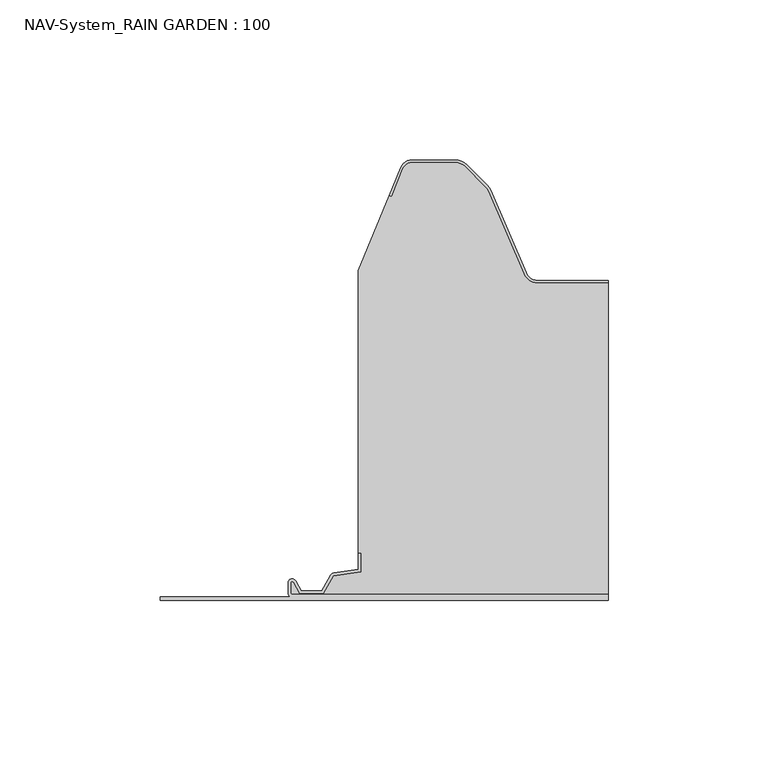
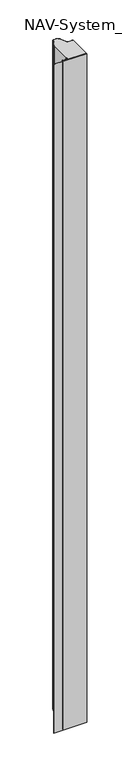
"""IFC4 building model written with IfcOpenShell, lengths in millimetres: plate geometry, NAV-System_RAIN GARDEN : 100."""

from ifc_helpers import new_model, si_unit, point, frame, frame_2d, origin, origin_with_axes, place, context, project, spatial, polyline, circle_curve, trimmed, segment, composite_curve, outline, extrude, source, transform, mapped, element, save


def nav_system_rain_garden_100_f82e4e6d(model_context):
    return source(origin(), model_context, "Body", "SweptSolid", [
        extrude(outline(composite_curve([segment(polyline([(0.0, -90.0), (0.0, 50.0), (1.8, 50.0), (1.8, -48.7)]), True, "CONTINUOUS"), segment(trimmed(circle_curve(frame_2d((2.3, -48.7)), 0.5), [point((1.8, -48.7))], [point((2.3, -49.2))], True, "CARTESIAN"), True, "CONTINUOUS"), segment(polyline([(2.3, -49.2), (5.3700191, -49.2)]), True, "CONTINUOUS"), segment(trimmed(circle_curve(frame_2d((5.3700191, -48.7)), 0.5), [point((5.3700191, -49.2))], [point((5.6200191, -48.2669873))], True, "CARTESIAN"), True, "CONTINUOUS"), segment(polyline([(5.6200191, -48.2669873), (2.2, -46.2924383), (2.2, -38.9841833), (7.6866602, -35.8164586), (8.898332, -27.2), (14.6767555, -27.2), (14.6767555, -28.0), (9.5937048, -28.0), (8.5128213, -35.6863953)]), True, "CONTINUOUS"), segment(trimmed(circle_curve(frame_2d((7.2254873, -35.5053666)), 1.3), [point((8.5128213, -35.6863953))], [point((7.8754873, -36.6311996))], False, "CARTESIAN"), True, "CONTINUOUS"), segment(polyline([(7.8754873, -36.6311996), (3.0, -39.4460636), (3.0, -45.8305581), (6.0200191, -47.574167)]), True, "CONTINUOUS"), segment(trimmed(circle_curve(frame_2d((5.3700191, -48.7)), 1.3), [point((6.0200191, -47.574167))], [point((5.3700191, -50.0))], False, "CARTESIAN"), True, "CONTINUOUS"), segment(polyline([(5.3700191, -50.0), (2.3, -50.0)]), True, "CONTINUOUS"), segment(trimmed(circle_curve(frame_2d((2.3, -48.7)), 1.3), [point((2.3, -50.0))], [point((1.0, -48.7))], False, "CARTESIAN"), True, "CONTINUOUS"), segment(polyline([(1.0, -48.7), (1.0, -90.0), (0.0, -90.0)]), True, "CONTINUOUS")], self_intersect=False)), frame((0.0, 0.0, 3000.0), z_axis=(0.0, 0.0, -1.0), x_axis=(0.0, 1.0, 0.0)), (0.0, 0.0, 1.0), 3000.0),
        extrude(outline(composite_curve([segment(polyline([(28.0709249, 99.2), (50.0, 99.2), (50.0, 1.8), (-48.7, 1.8)]), True, "CONTINUOUS"), segment(trimmed(circle_curve(frame_2d((-48.7, 2.3)), 0.5), [point((-48.7, 1.8))], [point((-49.2, 2.3))], False, "CARTESIAN"), True, "CONTINUOUS"), segment(polyline([(-49.2, 2.3), (-49.2, 5.3700191)]), True, "CONTINUOUS"), segment(trimmed(circle_curve(frame_2d((-48.7, 5.3700191)), 0.5), [point((-49.2, 5.3700191))], [point((-48.2669873, 5.6200191))], False, "CARTESIAN"), True, "CONTINUOUS"), segment(polyline([(-48.2669873, 5.6200191), (-46.2924383, 2.2), (-38.9841833, 2.2), (-35.8164586, 7.6866602), (-27.2, 8.898332), (-27.2, 14.6767555), (-28.0, 14.6767555), (-28.0, 103.053822), (-18.3696578, 126.593514), (-17.6292254, 126.2905951), (-14.1022482, 134.9116756)]), True, "CONTINUOUS"), segment(trimmed(circle_curve(frame_2d((-11.1405186, 133.7)), 3.2), [point((-14.1022482, 134.9116756))], [point((-11.1405186, 136.9))], False, "CARTESIAN"), True, "CONTINUOUS"), segment(polyline([(-11.1405186, 136.9), (2.2655335, 136.9)]), True, "CONTINUOUS"), segment(trimmed(circle_curve(frame_2d((2.2655335, 132.7)), 4.2), [point((2.2655335, 136.9))], [point((5.235382, 135.6698485))], False, "CARTESIAN"), True, "CONTINUOUS"), segment(polyline([(5.235382, 135.6698485), (11.6863603, 129.2188701)]), True, "CONTINUOUS"), segment(trimmed(circle_curve(frame_2d((8.7165118, 126.2490217)), 4.2), [point((11.6863603, 129.2188701))], [point((12.5754349, 127.9069459))], False, "CARTESIAN"), True, "CONTINUOUS"), segment(polyline([(12.5754349, 127.9069459), (23.6607271, 102.1052295)]), True, "CONTINUOUS"), segment(trimmed(circle_curve(frame_2d((28.0709249, 104.0)), 4.8), [point((23.6607271, 102.1052295))], [point((28.0709249, 99.2))], True, "CARTESIAN"), True, "CONTINUOUS")], self_intersect=False)), origin_with_axes(), (0.0, 0.0, 1.0), 3000.0),
        extrude(outline(composite_curve([segment(trimmed(circle_curve(frame_2d((-11.1408608, 133.7)), 4.0), [point((-14.8430228, 135.2145945))], [point((-11.1408608, 137.7))], False, "CARTESIAN"), True, "CONTINUOUS"), segment(polyline([(-11.1408608, 137.7), (2.2651913, 137.7)]), True, "CONTINUOUS"), segment(trimmed(circle_curve(frame_2d((2.2651913, 132.7)), 5.0), [point((2.2651913, 137.7))], [point((5.8007252, 136.2355339))], False, "CARTESIAN"), True, "CONTINUOUS"), segment(polyline([(5.8007252, 136.2355339), (12.2517035, 129.7845556)]), True, "CONTINUOUS"), segment(trimmed(circle_curve(frame_2d((8.7161696, 126.2490217)), 5.0), [point((12.2517035, 129.7845556))], [point((13.3101256, 128.2227409))], False, "CARTESIAN"), True, "CONTINUOUS"), segment(polyline([(13.3101256, 128.2227409), (24.3954178, 102.4210246)]), True, "CONTINUOUS"), segment(trimmed(circle_curve(frame_2d((28.0705827, 104.0)), 4.0), [point((24.3954178, 102.4210246))], [point((28.0705827, 100.0))], True, "CARTESIAN"), True, "CONTINUOUS"), segment(polyline([(28.0705827, 100.0), (50.0, 100.0), (50.0, 99.2), (28.0705827, 99.2)]), True, "CONTINUOUS"), segment(trimmed(circle_curve(frame_2d((28.0705827, 104.0)), 4.8), [point((28.0705827, 99.2))], [point((23.6603849, 102.1052295))], False, "CARTESIAN"), True, "CONTINUOUS"), segment(polyline([(23.6603849, 102.1052295), (12.5750927, 127.9069459)]), True, "CONTINUOUS"), segment(trimmed(circle_curve(frame_2d((8.7161696, 126.2490217)), 4.2), [point((12.5750927, 127.9069459))], [point((11.6860181, 129.2188701))], True, "CARTESIAN"), True, "CONTINUOUS"), segment(polyline([(11.6860181, 129.2188701), (5.2350397, 135.6698485)]), True, "CONTINUOUS"), segment(trimmed(circle_curve(frame_2d((2.2651913, 132.7)), 4.2), [point((5.2350397, 135.6698485))], [point((2.2651913, 136.9))], True, "CARTESIAN"), True, "CONTINUOUS"), segment(polyline([(2.2651913, 136.9), (-11.1408608, 136.9)]), True, "CONTINUOUS"), segment(trimmed(circle_curve(frame_2d((-11.1408608, 133.7)), 3.2), [point((-11.1408608, 136.9))], [point((-14.1025904, 134.9116756))], True, "CARTESIAN"), True, "CONTINUOUS"), segment(polyline([(-14.1025904, 134.9116756), (-17.6295676, 126.2905951), (-18.37, 126.593514), (-14.8430228, 135.2145945)]), True, "CONTINUOUS")], self_intersect=False)), origin_with_axes(), (0.0, 0.0, 1.0), 3000.0),
    ])


if __name__ == "__main__":
    model = new_model("IFC4")
    model_context = context("Model", 3, world=origin())
    ifc_project = project(units=[si_unit("LENGTHUNIT", "METRE", prefix="MILLI")], contexts=[model_context])
    site = spatial("IfcSite", under=ifc_project)
    building = spatial("IfcBuilding", under=site)
    placement = place(None, origin())
    nav_system_rain_garden_100_shape = nav_system_rain_garden_100_f82e4e6d(model_context)
    element("IfcPlate", 1, ObjectType="NAV-System_RAIN GARDEN : 100", at=placement, inside=building, context=model_context, shape_type="MappedRepresentation", body=[
        mapped(nav_system_rain_garden_100_shape, transform((0.0, 0.0, 0.0), x_axis=(1.0, 0.0, 0.0), y_axis=(0.0, 1.0, 0.0), z_axis=(0.0, 0.0, 1.0))),
    ])
    save(model, "model.ifc")
